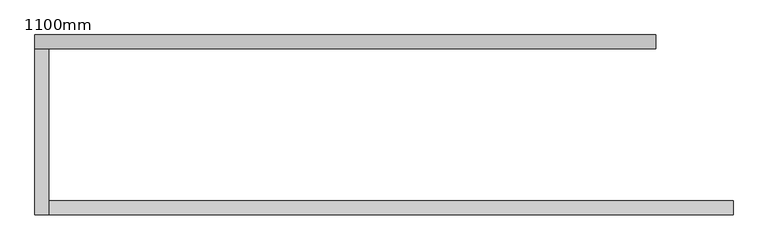
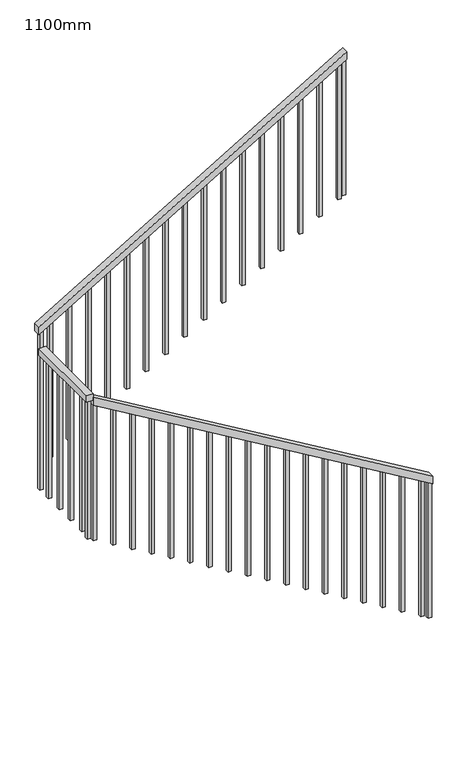
"""IFC4 building model written with IfcOpenShell, lengths in millimetres: railing geometry, 1100mm."""

from ifc_helpers import new_model, si_unit, frame, origin, place, context, project, spatial, polyline, outline, extrude, source, transform, mapped, element, save


def railing_1100mm_75c7011c(model_context):
    return source(origin(), model_context, "Body", "SweptSolid", [
        extrude(outline(polyline([(17208.4792885, 2457.6359883), (17266.6666667, 2457.6359883), (18736.9047619, -12.3640117), (18678.7173838, -12.3640117), (17208.4792885, 2457.6359883)])), frame((0.0, 32334.0312544, 0.0), z_axis=(0.0, 1.0, 0.0), x_axis=(0.0, 0.0, 1.0)), (0.0, 0.0, 1.0), 50.0),
        extrude(outline(polyline([(-12.3640117, 32334.0312544), (-62.3640117, 32334.0312544), (-62.3640117, 32932.429968), (-12.3640117, 32932.429968), (-12.3640117, 32334.0312544)])), frame((0.0, 0.0, 18716.6666667), z_axis=(0.0, 0.0, 1.0), x_axis=(1.0, 0.0, 0.0)), (0.0, 0.0, 1.0), 50.0),
        extrude(outline(polyline([(18933.3333333, -62.3640117), (18875.1459552, -62.3640117), (20208.4792885, 2177.6359883), (20266.6666667, 2177.6359883), (18933.3333333, -62.3640117)])), frame((0.0, 32932.429968, 0.0), z_axis=(0.0, 1.0, 0.0), x_axis=(0.0, 0.0, 1.0)), (0.0, 0.0, 1.0), 50.0),
        extrude(outline(polyline([(20174.253098, 2120.1359883), (19139.8809524, 2120.1359883), (19139.8809524, 2145.1359883), (20189.1340504, 2145.1359883), (20174.253098, 2120.1359883)])), frame((0.0, 32944.929968, 0.0), z_axis=(0.0, 1.0, 0.0), x_axis=(0.0, 0.0, 1.0)), (0.0, 0.0, 1.0), 25.0),
        extrude(outline(polyline([(20090.9197647, 1980.1359883), (19056.547619, 1980.1359883), (19056.547619, 2005.1359883), (20105.8007171, 2005.1359883), (20090.9197647, 1980.1359883)])), frame((0.0, 32944.929968, 0.0), z_axis=(0.0, 1.0, 0.0), x_axis=(0.0, 0.0, 1.0)), (0.0, 0.0, 1.0), 25.0),
        extrude(outline(polyline([(20007.5864314, 1840.1359883), (18973.2142857, 1840.1359883), (18973.2142857, 1865.1359883), (20022.4673838, 1865.1359883), (20007.5864314, 1840.1359883)])), frame((0.0, 32944.929968, 0.0), z_axis=(0.0, 1.0, 0.0), x_axis=(0.0, 0.0, 1.0)), (0.0, 0.0, 1.0), 25.0),
        extrude(outline(polyline([(19924.253098, 1700.1359883), (18889.8809524, 1700.1359883), (18889.8809524, 1725.1359883), (19939.1340504, 1725.1359883), (19924.253098, 1700.1359883)])), frame((0.0, 32944.929968, 0.0), z_axis=(0.0, 1.0, 0.0), x_axis=(0.0, 0.0, 1.0)), (0.0, 0.0, 1.0), 25.0),
        extrude(outline(polyline([(19840.9197647, 1560.1359883), (18806.547619, 1560.1359883), (18806.547619, 1585.1359883), (19855.8007171, 1585.1359883), (19840.9197647, 1560.1359883)])), frame((0.0, 32944.929968, 0.0), z_axis=(0.0, 1.0, 0.0), x_axis=(0.0, 0.0, 1.0)), (0.0, 0.0, 1.0), 25.0),
        extrude(outline(polyline([(19757.5864314, 1420.1359883), (18723.2142857, 1420.1359883), (18723.2142857, 1445.1359883), (19772.4673838, 1445.1359883), (19757.5864314, 1420.1359883)])), frame((0.0, 32944.929968, 0.0), z_axis=(0.0, 1.0, 0.0), x_axis=(0.0, 0.0, 1.0)), (0.0, 0.0, 1.0), 25.0),
        extrude(outline(polyline([(19674.253098, 1280.1359883), (18639.8809524, 1280.1359883), (18639.8809524, 1305.1359883), (19689.1340504, 1305.1359883), (19674.253098, 1280.1359883)])), frame((0.0, 32944.929968, 0.0), z_axis=(0.0, 1.0, 0.0), x_axis=(0.0, 0.0, 1.0)), (0.0, 0.0, 1.0), 25.0),
        extrude(outline(polyline([(19590.9197647, 1140.1359883), (18556.547619, 1140.1359883), (18556.547619, 1165.1359883), (19605.8007171, 1165.1359883), (19590.9197647, 1140.1359883)])), frame((0.0, 32944.929968, 0.0), z_axis=(0.0, 1.0, 0.0), x_axis=(0.0, 0.0, 1.0)), (0.0, 0.0, 1.0), 25.0),
        extrude(outline(polyline([(19507.5864314, 1000.1359883), (18473.2142857, 1000.1359883), (18473.2142857, 1025.1359883), (19522.4673838, 1025.1359883), (19507.5864314, 1000.1359883)])), frame((0.0, 32944.929968, 0.0), z_axis=(0.0, 1.0, 0.0), x_axis=(0.0, 0.0, 1.0)), (0.0, 0.0, 1.0), 25.0),
        extrude(outline(polyline([(19424.253098, 860.1359883), (18389.8809524, 860.1359883), (18389.8809524, 885.1359883), (19439.1340504, 885.1359883), (19424.253098, 860.1359883)])), frame((0.0, 32944.929968, 0.0), z_axis=(0.0, 1.0, 0.0), x_axis=(0.0, 0.0, 1.0)), (0.0, 0.0, 1.0), 25.0),
        extrude(outline(polyline([(19340.9197647, 720.1359883), (18306.547619, 720.1359883), (18306.547619, 745.1359883), (19355.8007171, 745.1359883), (19340.9197647, 720.1359883)])), frame((0.0, 32944.929968, 0.0), z_axis=(0.0, 1.0, 0.0), x_axis=(0.0, 0.0, 1.0)), (0.0, 0.0, 1.0), 25.0),
        extrude(outline(polyline([(19257.5864314, 580.1359883), (18223.2142857, 580.1359883), (18223.2142857, 605.1359883), (19272.4673838, 605.1359883), (19257.5864314, 580.1359883)])), frame((0.0, 32944.929968, 0.0), z_axis=(0.0, 1.0, 0.0), x_axis=(0.0, 0.0, 1.0)), (0.0, 0.0, 1.0), 25.0),
        extrude(outline(polyline([(19174.253098, 440.1359883), (18139.8809524, 440.1359883), (18139.8809524, 465.1359883), (19189.1340504, 465.1359883), (19174.253098, 440.1359883)])), frame((0.0, 32944.929968, 0.0), z_axis=(0.0, 1.0, 0.0), x_axis=(0.0, 0.0, 1.0)), (0.0, 0.0, 1.0), 25.0),
        extrude(outline(polyline([(19090.9197647, 300.1359883), (18056.547619, 300.1359883), (18056.547619, 325.1359883), (19105.8007171, 325.1359883), (19090.9197647, 300.1359883)])), frame((0.0, 32944.929968, 0.0), z_axis=(0.0, 1.0, 0.0), x_axis=(0.0, 0.0, 1.0)), (0.0, 0.0, 1.0), 25.0),
        extrude(outline(polyline([(19007.5864314, 160.1359883), (17973.2142857, 160.1359883), (17973.2142857, 185.1359883), (19022.4673838, 185.1359883), (19007.5864314, 160.1359883)])), frame((0.0, 32944.929968, 0.0), z_axis=(0.0, 1.0, 0.0), x_axis=(0.0, 0.0, 1.0)), (0.0, 0.0, 1.0), 25.0),
        extrude(outline(polyline([(18924.253098, 20.1359883), (17889.8809524, 20.1359883), (17889.8809524, 45.1359883), (18939.1340504, 45.1359883), (18924.253098, 20.1359883)])), frame((0.0, 32944.929968, 0.0), z_axis=(0.0, 1.0, 0.0), x_axis=(0.0, 0.0, 1.0)), (0.0, 0.0, 1.0), 25.0),
        extrude(outline(polyline([(-24.8640117, 32836.5312544), (-49.8640117, 32836.5312544), (-49.8640117, 32861.5312544), (-24.8640117, 32861.5312544), (-24.8640117, 32836.5312544)])), frame((0.0, 0.0, 17666.6666667), z_axis=(0.0, 0.0, 1.0), x_axis=(1.0, 0.0, 0.0)), (0.0, 0.0, 1.0), 1050.0),
        extrude(outline(polyline([(-24.8640117, 32696.5312544), (-49.8640117, 32696.5312544), (-49.8640117, 32721.5312544), (-24.8640117, 32721.5312544), (-24.8640117, 32696.5312544)])), frame((0.0, 0.0, 17666.6666667), z_axis=(0.0, 0.0, 1.0), x_axis=(1.0, 0.0, 0.0)), (0.0, 0.0, 1.0), 1050.0),
        extrude(outline(polyline([(-24.8640117, 32556.5312544), (-49.8640117, 32556.5312544), (-49.8640117, 32581.5312544), (-24.8640117, 32581.5312544), (-24.8640117, 32556.5312544)])), frame((0.0, 0.0, 17666.6666667), z_axis=(0.0, 0.0, 1.0), x_axis=(1.0, 0.0, 0.0)), (0.0, 0.0, 1.0), 1050.0),
        extrude(outline(polyline([(-24.8640117, 32416.5312544), (-49.8640117, 32416.5312544), (-49.8640117, 32441.5312544), (-24.8640117, 32441.5312544), (-24.8640117, 32416.5312544)])), frame((0.0, 0.0, 17666.6666667), z_axis=(0.0, 0.0, 1.0), x_axis=(1.0, 0.0, 0.0)), (0.0, 0.0, 1.0), 1050.0),
        extrude(outline(polyline([(17625.0, 20.1359883), (18659.3721457, 20.1359883), (18674.253098, -4.8640117), (17625.0, -4.8640117), (17625.0, 20.1359883)])), frame((0.0, 32346.5312544, 0.0), z_axis=(0.0, 1.0, 0.0), x_axis=(0.0, 0.0, 1.0)), (0.0, 0.0, 1.0), 25.0),
        extrude(outline(polyline([(17541.6666667, 160.1359883), (18576.0388123, 160.1359883), (18590.9197647, 135.1359883), (17541.6666667, 135.1359883), (17541.6666667, 160.1359883)])), frame((0.0, 32346.5312544, 0.0), z_axis=(0.0, 1.0, 0.0), x_axis=(0.0, 0.0, 1.0)), (0.0, 0.0, 1.0), 25.0),
        extrude(outline(polyline([(17458.3333333, 300.1359883), (18492.705479, 300.1359883), (18507.5864314, 275.1359883), (17458.3333333, 275.1359883), (17458.3333333, 300.1359883)])), frame((0.0, 32346.5312544, 0.0), z_axis=(0.0, 1.0, 0.0), x_axis=(0.0, 0.0, 1.0)), (0.0, 0.0, 1.0), 25.0),
        extrude(outline(polyline([(17375.0, 440.1359883), (18409.3721457, 440.1359883), (18424.253098, 415.1359883), (17375.0, 415.1359883), (17375.0, 440.1359883)])), frame((0.0, 32346.5312544, 0.0), z_axis=(0.0, 1.0, 0.0), x_axis=(0.0, 0.0, 1.0)), (0.0, 0.0, 1.0), 25.0),
        extrude(outline(polyline([(17291.6666667, 580.1359883), (18326.0388123, 580.1359883), (18340.9197647, 555.1359883), (17291.6666667, 555.1359883), (17291.6666667, 580.1359883)])), frame((0.0, 32346.5312544, 0.0), z_axis=(0.0, 1.0, 0.0), x_axis=(0.0, 0.0, 1.0)), (0.0, 0.0, 1.0), 25.0),
        extrude(outline(polyline([(17208.3333333, 720.1359883), (18242.705479, 720.1359883), (18257.5864314, 695.1359883), (17208.3333333, 695.1359883), (17208.3333333, 720.1359883)])), frame((0.0, 32346.5312544, 0.0), z_axis=(0.0, 1.0, 0.0), x_axis=(0.0, 0.0, 1.0)), (0.0, 0.0, 1.0), 25.0),
        extrude(outline(polyline([(17125.0, 860.1359883), (18159.3721457, 860.1359883), (18174.253098, 835.1359883), (17125.0, 835.1359883), (17125.0, 860.1359883)])), frame((0.0, 32346.5312544, 0.0), z_axis=(0.0, 1.0, 0.0), x_axis=(0.0, 0.0, 1.0)), (0.0, 0.0, 1.0), 25.0),
        extrude(outline(polyline([(17041.6666667, 1000.1359883), (18076.0388123, 1000.1359883), (18090.9197647, 975.1359883), (17041.6666667, 975.1359883), (17041.6666667, 1000.1359883)])), frame((0.0, 32346.5312544, 0.0), z_axis=(0.0, 1.0, 0.0), x_axis=(0.0, 0.0, 1.0)), (0.0, 0.0, 1.0), 25.0),
        extrude(outline(polyline([(16958.3333333, 1140.1359883), (17992.705479, 1140.1359883), (18007.5864314, 1115.1359883), (16958.3333333, 1115.1359883), (16958.3333333, 1140.1359883)])), frame((0.0, 32346.5312544, 0.0), z_axis=(0.0, 1.0, 0.0), x_axis=(0.0, 0.0, 1.0)), (0.0, 0.0, 1.0), 25.0),
        extrude(outline(polyline([(16875.0, 1280.1359883), (17909.3721457, 1280.1359883), (17924.253098, 1255.1359883), (16875.0, 1255.1359883), (16875.0, 1280.1359883)])), frame((0.0, 32346.5312544, 0.0), z_axis=(0.0, 1.0, 0.0), x_axis=(0.0, 0.0, 1.0)), (0.0, 0.0, 1.0), 25.0),
        extrude(outline(polyline([(16791.6666667, 1420.1359883), (17826.0388123, 1420.1359883), (17840.9197647, 1395.1359883), (16791.6666667, 1395.1359883), (16791.6666667, 1420.1359883)])), frame((0.0, 32346.5312544, 0.0), z_axis=(0.0, 1.0, 0.0), x_axis=(0.0, 0.0, 1.0)), (0.0, 0.0, 1.0), 25.0),
        extrude(outline(polyline([(16708.3333333, 1560.1359883), (17742.705479, 1560.1359883), (17757.5864314, 1535.1359883), (16708.3333333, 1535.1359883), (16708.3333333, 1560.1359883)])), frame((0.0, 32346.5312544, 0.0), z_axis=(0.0, 1.0, 0.0), x_axis=(0.0, 0.0, 1.0)), (0.0, 0.0, 1.0), 25.0),
        extrude(outline(polyline([(16625.0, 1700.1359883), (17659.3721457, 1700.1359883), (17674.253098, 1675.1359883), (16625.0, 1675.1359883), (16625.0, 1700.1359883)])), frame((0.0, 32346.5312544, 0.0), z_axis=(0.0, 1.0, 0.0), x_axis=(0.0, 0.0, 1.0)), (0.0, 0.0, 1.0), 25.0),
        extrude(outline(polyline([(16541.6666667, 1840.1359883), (17576.0388123, 1840.1359883), (17590.9197647, 1815.1359883), (16541.6666667, 1815.1359883), (16541.6666667, 1840.1359883)])), frame((0.0, 32346.5312544, 0.0), z_axis=(0.0, 1.0, 0.0), x_axis=(0.0, 0.0, 1.0)), (0.0, 0.0, 1.0), 25.0),
        extrude(outline(polyline([(16458.3333333, 1980.1359883), (17492.705479, 1980.1359883), (17507.5864314, 1955.1359883), (16458.3333333, 1955.1359883), (16458.3333333, 1980.1359883)])), frame((0.0, 32346.5312544, 0.0), z_axis=(0.0, 1.0, 0.0), x_axis=(0.0, 0.0, 1.0)), (0.0, 0.0, 1.0), 25.0),
        extrude(outline(polyline([(16375.0, 2120.1359883), (17409.3721457, 2120.1359883), (17424.253098, 2095.1359883), (16375.0, 2095.1359883), (16375.0, 2120.1359883)])), frame((0.0, 32346.5312544, 0.0), z_axis=(0.0, 1.0, 0.0), x_axis=(0.0, 0.0, 1.0)), (0.0, 0.0, 1.0), 25.0),
        extrude(outline(polyline([(16291.6666667, 2260.1359883), (17326.0388123, 2260.1359883), (17340.9197647, 2235.1359883), (16291.6666667, 2235.1359883), (16291.6666667, 2260.1359883)])), frame((0.0, 32346.5312544, 0.0), z_axis=(0.0, 1.0, 0.0), x_axis=(0.0, 0.0, 1.0)), (0.0, 0.0, 1.0), 25.0),
        extrude(outline(polyline([(16208.3333333, 2400.1359883), (17242.705479, 2400.1359883), (17257.5864314, 2375.1359883), (16208.3333333, 2375.1359883), (16208.3333333, 2400.1359883)])), frame((0.0, 32346.5312544, 0.0), z_axis=(0.0, 1.0, 0.0), x_axis=(0.0, 0.0, 1.0)), (0.0, 0.0, 1.0), 25.0),
        extrude(outline(polyline([(18882.5864314, -49.8640117), (17666.6666667, -49.8640117), (17666.6666667, -24.8640117), (18897.4673838, -24.8640117), (18882.5864314, -49.8640117)])), frame((0.0, 32944.929968, 0.0), z_axis=(0.0, 1.0, 0.0), x_axis=(0.0, 0.0, 1.0)), (0.0, 0.0, 1.0), 25.0),
        extrude(outline(polyline([(-24.8640117, 32346.5312544), (-49.8640117, 32346.5312544), (-49.8640117, 32371.5312544), (-24.8640117, 32371.5312544), (-24.8640117, 32346.5312544)])), frame((0.0, 0.0, 17651.7857143), z_axis=(0.0, 0.0, 1.0), x_axis=(1.0, 0.0, 0.0)), (0.0, 0.0, 1.0), 1064.8809524),
        extrude(outline(polyline([(20193.5983361, 2152.6359883), (19159.2261905, 2152.6359883), (19159.2261905, 2177.6359883), (20208.4792885, 2177.6359883), (20193.5983361, 2152.6359883)])), frame((0.0, 32944.929968, 0.0), z_axis=(0.0, 1.0, 0.0), x_axis=(0.0, 0.0, 1.0)), (0.0, 0.0, 1.0), 25.0),
        extrude(outline(polyline([(16174.1071429, 2457.6359883), (17208.4792885, 2457.6359883), (17223.3602409, 2432.6359883), (16174.1071429, 2432.6359883), (16174.1071429, 2457.6359883)])), frame((0.0, 32346.5312544, 0.0), z_axis=(0.0, 1.0, 0.0), x_axis=(0.0, 0.0, 1.0)), (0.0, 0.0, 1.0), 25.0),
    ])


if __name__ == "__main__":
    model = new_model("IFC4")
    model_context = context("Model", 3, world=origin())
    ifc_project = project(units=[si_unit("LENGTHUNIT", "METRE", prefix="MILLI")], contexts=[model_context])
    site = spatial("IfcSite", under=ifc_project)
    building = spatial("IfcBuilding", under=site)
    placement = place(None, origin())
    railing_1100mm_shape = railing_1100mm_75c7011c(model_context)
    element("IfcRailing", 1, ObjectType="1100mm", at=placement, inside=building, context=model_context, shape_type="MappedRepresentation", body=[
        mapped(railing_1100mm_shape, transform((0.0, 0.0, 0.0), x_axis=(1.0, 0.0, 0.0), y_axis=(0.0, 1.0, 0.0), z_axis=(0.0, 0.0, 1.0))),
    ])
    save(model, "model.ifc")
